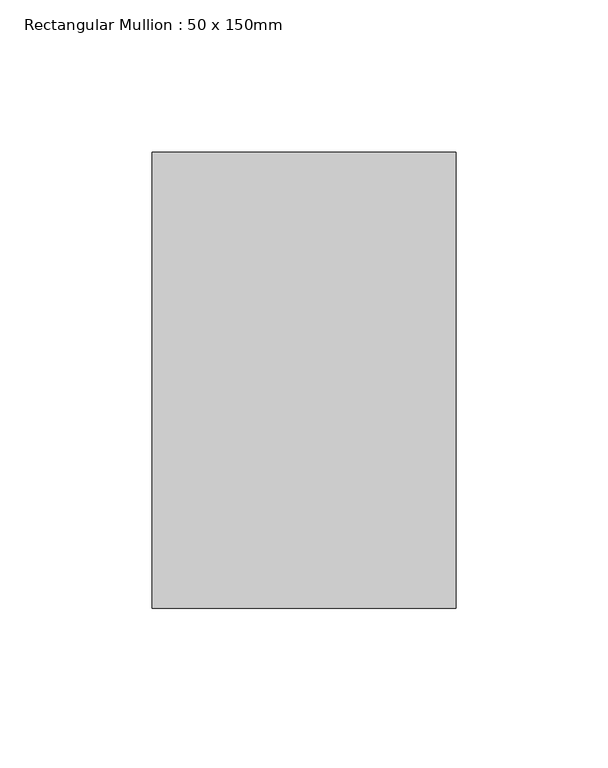
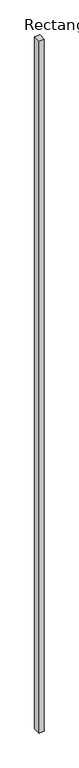
"""IFC4 building model written with IfcOpenShell, lengths in millimetres: member geometry, Rectangular Mullion : 50 x 150mm."""

from ifc_helpers import new_model, si_unit, frame, origin, place, context, project, spatial, polyline, outline, extrude, source, transform, mapped, element, save


def rectangular_mullion_50_x_150mm_3598e247(model_context):
    return source(origin(), model_context, "Body", "SweptSolid", [
        extrude(outline(polyline([(50.0, 75.0), (50.0, -75.0), (-50.0, -75.0), (-50.0, 75.0), (50.0, 75.0)])), frame((0.0, 0.0, -14285.365803), z_axis=(0.0, 0.0, 1.0), x_axis=(1.0, 0.0, 0.0)), (0.0, 0.0, 1.0), 14285.365803),
    ])


if __name__ == "__main__":
    model = new_model("IFC4")
    model_context = context("Model", 3, world=origin())
    ifc_project = project(units=[si_unit("LENGTHUNIT", "METRE", prefix="MILLI")], contexts=[model_context])
    site = spatial("IfcSite", under=ifc_project)
    building = spatial("IfcBuilding", under=site)
    placement = place(None, origin())
    rectangular_mullion_50_x_150mm_shape = rectangular_mullion_50_x_150mm_3598e247(model_context)
    element("IfcMember", 1, ObjectType="Rectangular Mullion : 50 x 150mm", at=placement, inside=building, context=model_context, shape_type="MappedRepresentation", body=[
        mapped(rectangular_mullion_50_x_150mm_shape, transform((0.0, 0.0, 0.0), x_axis=(1.0, 0.0, 0.0), y_axis=(0.0, 1.0, 0.0), z_axis=(0.0, 0.0, 1.0))),
    ])
    save(model, "model.ifc")
